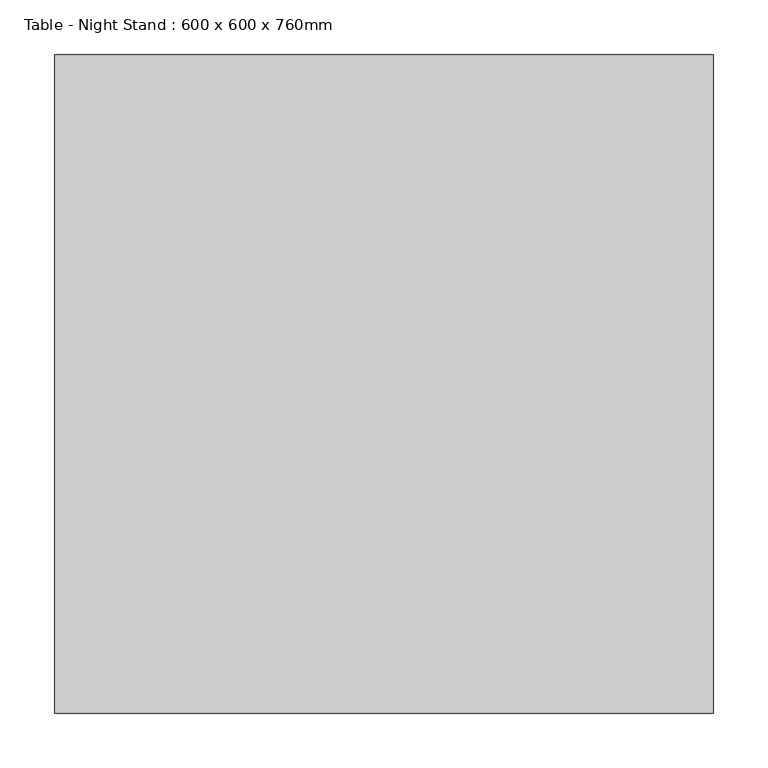
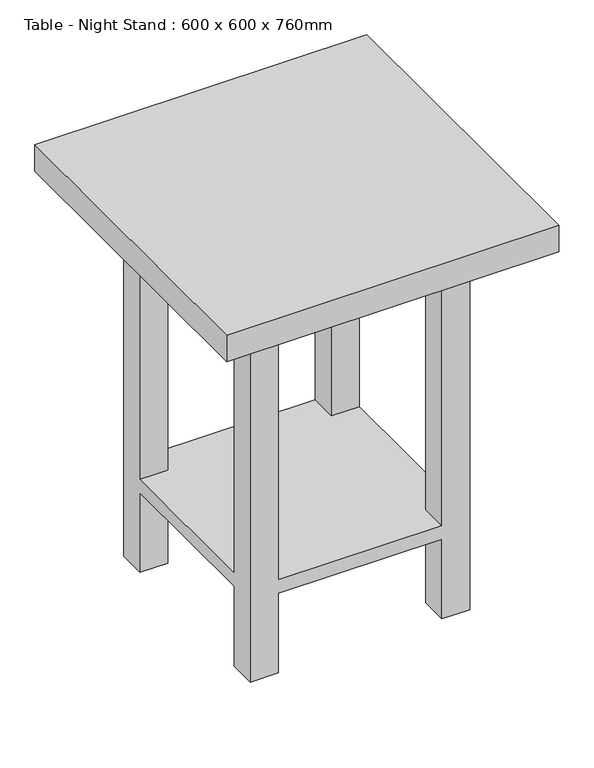
"""IFC4 building model written with IfcOpenShell, lengths in millimetres: furniture geometry, Table - Night Stand : 600 x 600 x 760mm."""

import ifcopenshell
import ifcopenshell.guid

model = None  # the IFC model being written
_history = None  # IfcOwnerHistory: only IFC2X3 demands one
_inside = {}  # id of a spatial element -> (the spatial element, [elements in it])
_under = {}  # id of a project, library or spatial element -> (it, [spatial elements below it])
_declared = {}  # id of a project -> (the project, [libraries it declares])
_typed = {}  # id of a type object -> (the type object, [elements of that type])
_made_of = {}  # id of a material, layer set ... -> (it, [elements and type objects made of it])


def new_model(schema):
    """Start an empty IFC model of exactly this schema.

    Asked for "IFC4X3", IfcOpenShell would pick the latest addendum, in which some entities
    have other attributes; the version numbers below select the first issue.
    IFC2X3 requires an IfcOwnerHistory on every rooted entity: one is made here for all.
    """
    global model, _history
    if schema == "IFC4X3":
        model = ifcopenshell.file(schema_version=(4, 3, 0, 0))
    else:
        model = ifcopenshell.file(schema=schema)
    _inside.clear()
    _under.clear()
    _declared.clear()
    _typed.clear()
    _made_of.clear()
    _history = None
    if model.schema == "IFC2X3":
        org = make("IfcOrganization", Name="unknown")
        user = make(
            "IfcPersonAndOrganization",
            ThePerson=make("IfcPerson", FamilyName="unknown"),
            TheOrganization=org,
        )
        app = make(
            "IfcApplication",
            ApplicationDeveloper=org,
            Version="unknown",
            ApplicationFullName="unknown",
            ApplicationIdentifier="unknown",
        )
        _history = make(
            "IfcOwnerHistory",
            OwningUser=user,
            OwningApplication=app,
            ChangeAction="ADDED",
            CreationDate=0,
        )
    return model


def make(cls, **values):
    """One entity of the class cls with the attributes given. An attribute that is None is left unset."""
    return model.create_entity(
        cls, **{name: value for name, value in values.items() if value is not None}
    )


def rooted(cls, **values):
    """An entity with a GlobalId (a new one), such as an element, a storey or a relation."""
    return make(cls, GlobalId=ifcopenshell.guid.new(), OwnerHistory=_history, **values)


def si_unit(unit_type, name, prefix=None):
    """IfcSIUnit, for example si_unit("LENGTHUNIT", "METRE", prefix="MILLI")."""
    return make("IfcSIUnit", UnitType=unit_type, Prefix=prefix, Name=name)


def assignment(units):
    """IfcUnitAssignment: the units of a project."""
    return None if units is None else make("IfcUnitAssignment", Units=units)


def point(xyz):
    """IfcCartesianPoint."""
    return None if xyz is None else make("IfcCartesianPoint", Coordinates=xyz)


def direction(xyz):
    """IfcDirection."""
    return None if xyz is None else make("IfcDirection", DirectionRatios=xyz)


def frame(location, z_axis=None, x_axis=None):
    """IfcAxis2Placement3D, a coordinate frame: its origin and axes. An axis left out is left unset."""
    return make(
        "IfcAxis2Placement3D",
        Location=point(location),
        Axis=direction(z_axis),
        RefDirection=direction(x_axis),
    )


def origin():
    """The frame at (0, 0, 0) with its axes left unset."""
    return frame((0.0, 0.0, 0.0))


def place(relative_to, where):
    """IfcLocalPlacement: puts the frame where relative to a parent placement (None: the world)."""
    return make(
        "IfcLocalPlacement", PlacementRelTo=relative_to, RelativePlacement=where
    )


def context(
    kind, dimensions, precision=None, world=None, true_north=None, identifier=None
):
    """IfcGeometricRepresentationContext, for example the 3D "Model" context."""
    return make(
        "IfcGeometricRepresentationContext",
        ContextIdentifier=identifier,
        ContextType=kind,
        CoordinateSpaceDimension=dimensions,
        Precision=precision,
        WorldCoordinateSystem=world,
        TrueNorth=true_north,
    )


def project(units=None, contexts=None):
    """IfcProject with its units and contexts."""
    return rooted(
        "IfcProject",
        Name="project",
        RepresentationContexts=contexts,
        UnitsInContext=assignment(units),
    )


def spatial(cls, under=None, at=None, **own):
    """A site, building, storey or space (cls), placed at a placement, below another one or the project."""
    s = rooted(cls, ObjectPlacement=at, **own)
    if under is not None:
        _under.setdefault(under.id(), (under, []))[1].append(s)
    return s


def polyline(points):
    """IfcPolyline through the points."""
    return make("IfcPolyline", Points=[point(p) for p in points])


def outline(outer, holes=None, kind="AREA"):
    """IfcArbitraryClosedProfileDef: a profile drawn as a closed curve; with holes, ...WithVoids."""
    if holes is None:
        return make("IfcArbitraryClosedProfileDef", ProfileType=kind, OuterCurve=outer)
    return make(
        "IfcArbitraryProfileDefWithVoids",
        ProfileType=kind,
        OuterCurve=outer,
        InnerCurves=holes,
    )


def extrude(swept, where, along, depth):
    """IfcExtrudedAreaSolid: the profile swept, set in the frame where, extruded along a direction by depth."""
    return make(
        "IfcExtrudedAreaSolid",
        SweptArea=swept,
        Position=where,
        ExtrudedDirection=direction(along),
        Depth=depth,
    )


def faces_of(points, faces, orient=None, outer=None):
    """IfcFace entities. A face is a list of loops; a loop is a list of indices into points, from 0.

    orient and outer hold one flag for each loop. By default every Orientation is true, the
    first loop of a face is its IfcFaceOuterBound and the others are IfcFaceBound.
    """
    made = []
    for i, loops in enumerate(faces):
        bounds = []
        for j, loop in enumerate(loops):
            is_outer = j == 0 if outer is None else outer[i][j]
            bounds.append(
                make(
                    "IfcFaceOuterBound" if is_outer else "IfcFaceBound",
                    Bound=make("IfcPolyLoop", Polygon=[points[k] for k in loop]),
                    Orientation=True if orient is None else orient[i][j],
                )
            )
        made.append(make("IfcFace", Bounds=bounds))
    return made


def faceted_brep(points, faces, orient=None, outer=None, voids=None):
    """IfcFacetedBrep: a solid bounded by flat faces; with voids (closed shells), ...WithVoids."""
    shared = [point(p) for p in points]
    hull = make("IfcClosedShell", CfsFaces=faces_of(shared, faces, orient, outer))
    if voids is None:
        return make("IfcFacetedBrep", Outer=hull)
    return make(
        "IfcFacetedBrepWithVoids",
        Outer=hull,
        Voids=[
            make(cls, CfsFaces=faces_of(shared, fs, o, b)) for cls, fs, o, b in voids
        ],
    )


def shape(context_of_items, identifier, shape_type, items):
    """IfcShapeRepresentation: the items that make up one representation, for example the "Body"."""
    return make(
        "IfcShapeRepresentation",
        ContextOfItems=context_of_items,
        RepresentationIdentifier=identifier,
        RepresentationType=shape_type,
        Items=items,
    )


def source(mapping_origin, context_of_items, identifier, shape_type, items):
    """IfcRepresentationMap: a shape defined once, which mapped items show again and again."""
    return make(
        "IfcRepresentationMap",
        MappingOrigin=mapping_origin,
        MappedRepresentation=shape(context_of_items, identifier, shape_type, items),
    )


def transform(
    local_origin,
    x_axis=None,
    y_axis=None,
    z_axis=None,
    scale=None,
    scale2=None,
    scale3=None,
    uniform=True,
):
    """IfcCartesianTransformationOperator3D, or its non-uniform kind. x_axis, y_axis, z_axis: its Axis1, 2, 3."""
    if uniform:
        return make(
            "IfcCartesianTransformationOperator3D",
            Axis1=direction(x_axis),
            Axis2=direction(y_axis),
            LocalOrigin=point(local_origin),
            Scale=scale,
            Axis3=direction(z_axis),
        )
    return make(
        "IfcCartesianTransformationOperator3DnonUniform",
        Axis1=direction(x_axis),
        Axis2=direction(y_axis),
        LocalOrigin=point(local_origin),
        Scale=scale,
        Axis3=direction(z_axis),
        Scale2=scale2,
        Scale3=scale3,
    )


def mapped(mapping_source, mapping_target):
    """IfcMappedItem: shows the shape of a source again, moved by a transform."""
    return make(
        "IfcMappedItem", MappingSource=mapping_source, MappingTarget=mapping_target
    )


def made_of(thing, what):
    """Note that an element or type object is made of a material, layer set ...; save() writes the relation."""
    if what is not None:
        _made_of.setdefault(what.id(), (what, []))[1].append(thing)
    return thing


def element(
    cls,
    number,
    at=None,
    inside=None,
    cuts=None,
    type_object=None,
    material=None,
    context=None,
    identifier="Body",
    shape_type=None,
    held_by="IfcProductDefinitionShape",
    body=None,
    shapes=None,
    **own,
):
    """One element of the class cls, such as IfcWall. Its Tag is "e" and its number.

    at: its placement. inside: the storey or other place that contains it. cuts: it is an
    opening in that element (IfcRelVoidsElement). A single representation is given by context,
    identifier, shape_type and body (its items); several are given by shapes. held_by: the class
    of the entity that holds the representations. save() writes the other relations.
    """
    e = rooted(cls, Tag="e%d" % number, ObjectPlacement=at, **own)
    if body is not None:
        shapes = [shape(context, identifier, shape_type, body)]
    if shapes is not None:
        e.Representation = make(held_by, Representations=shapes)
    if inside is not None:
        _inside.setdefault(inside.id(), (inside, []))[1].append(e)
    if cuts is not None:
        rooted(
            "IfcRelVoidsElement", RelatingBuildingElement=cuts, RelatedOpeningElement=e
        )
    if type_object is not None:
        _typed.setdefault(type_object.id(), (type_object, []))[1].append(e)
    return made_of(e, material)


def aggregate(whole, parts):
    """IfcRelAggregates: a whole, such as a stair, and the parts it consists of."""
    return rooted("IfcRelAggregates", RelatingObject=whole, RelatedObjects=parts)


def save(model, path):
    """Write the relations noted so far, then the file.

    IfcRelAggregates (storeys below a building ...), IfcRelContainedInSpatialStructure (elements
    in a storey), IfcRelDefinesByType, IfcRelAssociatesMaterial and IfcRelDeclares: one each for
    every whole, place, type object, material and project.
    """
    for whole, parts in _under.values():
        aggregate(whole, parts)
    for where, things in _inside.values():
        rooted(
            "IfcRelContainedInSpatialStructure",
            RelatedElements=things,
            RelatingStructure=where,
        )
    for kind, things in _typed.values():
        rooted("IfcRelDefinesByType", RelatedObjects=things, RelatingType=kind)
    for what, things in _made_of.values():
        rooted("IfcRelAssociatesMaterial", RelatedObjects=things, RelatingMaterial=what)
    for by, libraries in _declared.values():
        rooted("IfcRelDeclares", RelatingContext=by, RelatedDefinitions=libraries)
    model.write(path)


def table_night_stand_600_x_600_x_760mm_f522414a(model_context):
    return source(origin(), model_context, "Body", "SolidModel", [
        faceted_brep([(156.1336303, 498.4, 709.2), (105.3336303, 498.4, 709.2), (105.3336303, 447.6, 709.2), (156.1336303, 447.6, 709.2), (156.1336303, 152.4, 709.2), (105.3336303, 152.4, 709.2), (105.3336303, 101.6, 709.2), (156.1336303, 101.6, 709.2), (502.1336303, 498.4, 709.2), (451.3336303, 498.4, 709.2), (451.3336303, 447.6, 709.2), (502.1336303, 447.6, 709.2), (502.1336303, 152.4, 709.2), (451.3336303, 152.4, 709.2), (451.3336303, 101.6, 709.2), (502.1336303, 101.6, 709.2), (156.1336303, 498.4, 0.0), (156.1336303, 447.6, 0.0), (105.3336303, 447.6, 0.0), (105.3336303, 498.4, 0.0), (156.1336303, 152.4, 0.0), (156.1336303, 101.6, 0.0), (105.3336303, 101.6, 0.0), (105.3336303, 152.4, 0.0), (502.1336303, 498.4, 0.0), (502.1336303, 447.6, 0.0), (451.3336303, 447.6, 0.0), (451.3336303, 498.4, 0.0), (502.1336303, 152.4, 0.0), (502.1336303, 101.6, 0.0), (451.3336303, 101.6, 0.0), (451.3336303, 152.4, 0.0), (156.1336303, 498.4, 177.8), (451.3336303, 498.4, 177.8), (451.3336303, 498.4, 152.4), (156.1336303, 498.4, 152.4), (105.3336303, 447.6, 152.4), (105.3336303, 152.4, 152.4), (105.3336303, 152.4, 177.8), (105.3336303, 447.6, 177.8), (156.1336303, 447.6, 177.8), (156.1336303, 447.6, 152.4), (156.1336303, 152.4, 177.8), (156.1336303, 152.4, 152.4), (156.1336303, 101.6, 152.4), (451.3336303, 101.6, 152.4), (451.3336303, 101.6, 177.8), (156.1336303, 101.6, 177.8), (451.3336303, 447.6, 177.8), (451.3336303, 447.6, 152.4), (502.1336303, 447.6, 177.8), (502.1336303, 447.6, 152.4), (502.1336303, 152.4, 177.8), (502.1336303, 152.4, 152.4), (451.3336303, 152.4, 177.8), (451.3336303, 152.4, 152.4)], [[[0, 1, 2, 3]], [[4, 5, 6, 7]], [[8, 9, 10, 11]], [[12, 13, 14, 15]], [[16, 17, 18, 19]], [[20, 21, 22, 23]], [[24, 25, 26, 27]], [[28, 29, 30, 31]], [[1, 0, 32, 33, 9, 8, 24, 27, 34, 35, 16, 19]], [[2, 1, 19, 18, 36, 37, 23, 22, 6, 5, 38, 39]], [[3, 2, 39, 40]], [[18, 17, 41, 36]], [[0, 3, 40, 32]], [[17, 16, 35, 41]], [[5, 4, 42, 38]], [[20, 23, 37, 43]], [[7, 6, 22, 21, 44, 45, 30, 29, 15, 14, 46, 47]], [[4, 7, 47, 42]], [[21, 20, 43, 44]], [[10, 9, 33, 48]], [[27, 26, 49, 34]], [[11, 10, 48, 50]], [[26, 25, 51, 49]], [[8, 11, 50, 52, 12, 15, 29, 28, 53, 51, 25, 24]], [[13, 12, 52, 54]], [[28, 31, 55, 53]], [[14, 13, 54, 46]], [[31, 30, 45, 55]], [[39, 38, 42, 47, 46, 54, 52, 50, 48, 33, 32, 40]], [[35, 34, 49, 51, 53, 55, 45, 44, 43, 37, 36, 41]]]),
        extrude(outline(polyline([(603.7336303, 0.0), (3.7336303, 0.0), (3.7336303, 600.0), (603.7336303, 600.0), (603.7336303, 0.0)])), frame((0.0, 0.0, 709.2), z_axis=(0.0, 0.0, 1.0), x_axis=(1.0, 0.0, 0.0)), (0.0, 0.0, 1.0), 50.8),
    ])


if __name__ == "__main__":
    model = new_model("IFC4")
    model_context = context("Model", 3, world=origin())
    ifc_project = project(units=[si_unit("LENGTHUNIT", "METRE", prefix="MILLI")], contexts=[model_context])
    site = spatial("IfcSite", under=ifc_project)
    building = spatial("IfcBuilding", under=site)
    placement = place(None, origin())
    table_night_stand_600_x_600_x_760mm_shape = table_night_stand_600_x_600_x_760mm_f522414a(model_context)
    element("IfcFurniture", 1, ObjectType="Table - Night Stand : 600 x 600 x 760mm", at=placement, inside=building, context=model_context, shape_type="MappedRepresentation", body=[
        mapped(table_night_stand_600_x_600_x_760mm_shape, transform((0.0, 0.0, 0.0), x_axis=(1.0, 0.0, 0.0), y_axis=(0.0, 1.0, 0.0), z_axis=(0.0, 0.0, 1.0))),
    ])
    save(model, "model.ifc")
